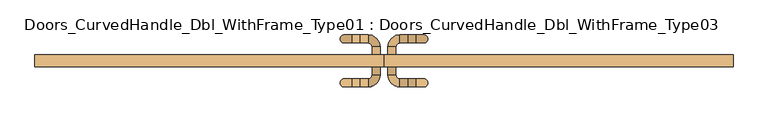
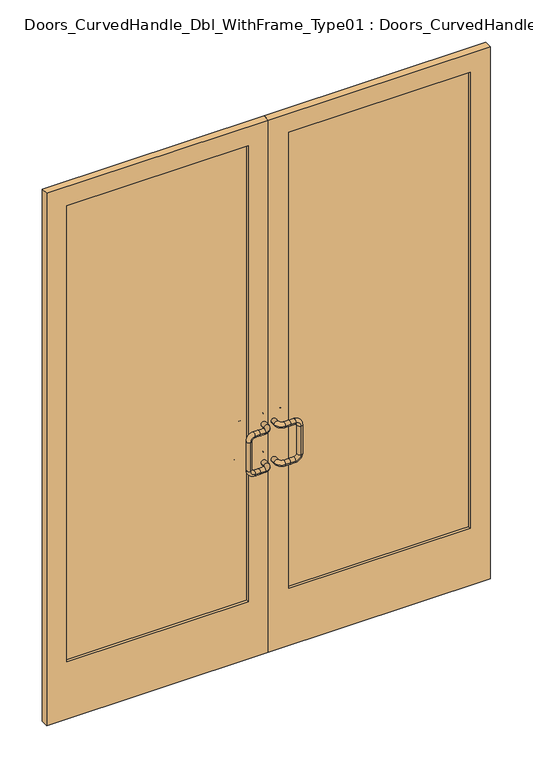
"""IFC4 building model written with IfcOpenShell, lengths in millimetres: door geometry, Doors_CurvedHandle_Dbl_WithFrame_Type01 : Doors_CurvedHandle_Dbl_WithFrame_Type03."""

import ifcopenshell
import ifcopenshell.guid

model = None  # the IFC model being written
_history = None  # IfcOwnerHistory: only IFC2X3 demands one
_inside = {}  # id of a spatial element -> (the spatial element, [elements in it])
_under = {}  # id of a project, library or spatial element -> (it, [spatial elements below it])
_declared = {}  # id of a project -> (the project, [libraries it declares])
_typed = {}  # id of a type object -> (the type object, [elements of that type])
_made_of = {}  # id of a material, layer set ... -> (it, [elements and type objects made of it])


def new_model(schema):
    """Start an empty IFC model of exactly this schema.

    Asked for "IFC4X3", IfcOpenShell would pick the latest addendum, in which some entities
    have other attributes; the version numbers below select the first issue.
    IFC2X3 requires an IfcOwnerHistory on every rooted entity: one is made here for all.
    """
    global model, _history
    if schema == "IFC4X3":
        model = ifcopenshell.file(schema_version=(4, 3, 0, 0))
    else:
        model = ifcopenshell.file(schema=schema)
    _inside.clear()
    _under.clear()
    _declared.clear()
    _typed.clear()
    _made_of.clear()
    _history = None
    if model.schema == "IFC2X3":
        org = make("IfcOrganization", Name="unknown")
        user = make(
            "IfcPersonAndOrganization",
            ThePerson=make("IfcPerson", FamilyName="unknown"),
            TheOrganization=org,
        )
        app = make(
            "IfcApplication",
            ApplicationDeveloper=org,
            Version="unknown",
            ApplicationFullName="unknown",
            ApplicationIdentifier="unknown",
        )
        _history = make(
            "IfcOwnerHistory",
            OwningUser=user,
            OwningApplication=app,
            ChangeAction="ADDED",
            CreationDate=0,
        )
    return model


def make(cls, **values):
    """One entity of the class cls with the attributes given. An attribute that is None is left unset."""
    return model.create_entity(
        cls, **{name: value for name, value in values.items() if value is not None}
    )


def rooted(cls, **values):
    """An entity with a GlobalId (a new one), such as an element, a storey or a relation."""
    return make(cls, GlobalId=ifcopenshell.guid.new(), OwnerHistory=_history, **values)


def si_unit(unit_type, name, prefix=None):
    """IfcSIUnit, for example si_unit("LENGTHUNIT", "METRE", prefix="MILLI")."""
    return make("IfcSIUnit", UnitType=unit_type, Prefix=prefix, Name=name)


def assignment(units):
    """IfcUnitAssignment: the units of a project."""
    return None if units is None else make("IfcUnitAssignment", Units=units)


def point(xyz):
    """IfcCartesianPoint."""
    return None if xyz is None else make("IfcCartesianPoint", Coordinates=xyz)


def direction(xyz):
    """IfcDirection."""
    return None if xyz is None else make("IfcDirection", DirectionRatios=xyz)


def frame(location, z_axis=None, x_axis=None):
    """IfcAxis2Placement3D, a coordinate frame: its origin and axes. An axis left out is left unset."""
    return make(
        "IfcAxis2Placement3D",
        Location=point(location),
        Axis=direction(z_axis),
        RefDirection=direction(x_axis),
    )


def origin():
    """The frame at (0, 0, 0) with its axes left unset."""
    return frame((0.0, 0.0, 0.0))


def place(relative_to, where):
    """IfcLocalPlacement: puts the frame where relative to a parent placement (None: the world)."""
    return make(
        "IfcLocalPlacement", PlacementRelTo=relative_to, RelativePlacement=where
    )


def context(
    kind, dimensions, precision=None, world=None, true_north=None, identifier=None
):
    """IfcGeometricRepresentationContext, for example the 3D "Model" context."""
    return make(
        "IfcGeometricRepresentationContext",
        ContextIdentifier=identifier,
        ContextType=kind,
        CoordinateSpaceDimension=dimensions,
        Precision=precision,
        WorldCoordinateSystem=world,
        TrueNorth=true_north,
    )


def project(units=None, contexts=None):
    """IfcProject with its units and contexts."""
    return rooted(
        "IfcProject",
        Name="project",
        RepresentationContexts=contexts,
        UnitsInContext=assignment(units),
    )


def spatial(cls, under=None, at=None, **own):
    """A site, building, storey or space (cls), placed at a placement, below another one or the project."""
    s = rooted(cls, ObjectPlacement=at, **own)
    if under is not None:
        _under.setdefault(under.id(), (under, []))[1].append(s)
    return s


def polyline(points):
    """IfcPolyline through the points."""
    return make("IfcPolyline", Points=[point(p) for p in points])


def circle_curve(where, radius):
    """IfcCircle in the frame where."""
    return make("IfcCircle", Position=where, Radius=radius)


def ellipse_curve(where, semi_axis1, semi_axis2):
    """IfcEllipse in the frame where."""
    return make(
        "IfcEllipse", Position=where, SemiAxis1=semi_axis1, SemiAxis2=semi_axis2
    )


def trimmed(basis, trim1, trim2, sense, master):
    """IfcTrimmedCurve: the piece of a basis curve between two trims."""
    return make(
        "IfcTrimmedCurve",
        BasisCurve=basis,
        Trim1=trim1,
        Trim2=trim2,
        SenseAgreement=sense,
        MasterRepresentation=master,
    )


def outline(outer, holes=None, kind="AREA"):
    """IfcArbitraryClosedProfileDef: a profile drawn as a closed curve; with holes, ...WithVoids."""
    if holes is None:
        return make("IfcArbitraryClosedProfileDef", ProfileType=kind, OuterCurve=outer)
    return make(
        "IfcArbitraryProfileDefWithVoids",
        ProfileType=kind,
        OuterCurve=outer,
        InnerCurves=holes,
    )


def extrude(swept, where, along, depth):
    """IfcExtrudedAreaSolid: the profile swept, set in the frame where, extruded along a direction by depth."""
    return make(
        "IfcExtrudedAreaSolid",
        SweptArea=swept,
        Position=where,
        ExtrudedDirection=direction(along),
        Depth=depth,
    )


def shape(context_of_items, identifier, shape_type, items):
    """IfcShapeRepresentation: the items that make up one representation, for example the "Body"."""
    return make(
        "IfcShapeRepresentation",
        ContextOfItems=context_of_items,
        RepresentationIdentifier=identifier,
        RepresentationType=shape_type,
        Items=items,
    )


def source(mapping_origin, context_of_items, identifier, shape_type, items):
    """IfcRepresentationMap: a shape defined once, which mapped items show again and again."""
    return make(
        "IfcRepresentationMap",
        MappingOrigin=mapping_origin,
        MappedRepresentation=shape(context_of_items, identifier, shape_type, items),
    )


def transform(
    local_origin,
    x_axis=None,
    y_axis=None,
    z_axis=None,
    scale=None,
    scale2=None,
    scale3=None,
    uniform=True,
):
    """IfcCartesianTransformationOperator3D, or its non-uniform kind. x_axis, y_axis, z_axis: its Axis1, 2, 3."""
    if uniform:
        return make(
            "IfcCartesianTransformationOperator3D",
            Axis1=direction(x_axis),
            Axis2=direction(y_axis),
            LocalOrigin=point(local_origin),
            Scale=scale,
            Axis3=direction(z_axis),
        )
    return make(
        "IfcCartesianTransformationOperator3DnonUniform",
        Axis1=direction(x_axis),
        Axis2=direction(y_axis),
        LocalOrigin=point(local_origin),
        Scale=scale,
        Axis3=direction(z_axis),
        Scale2=scale2,
        Scale3=scale3,
    )


def mapped(mapping_source, mapping_target):
    """IfcMappedItem: shows the shape of a source again, moved by a transform."""
    return make(
        "IfcMappedItem", MappingSource=mapping_source, MappingTarget=mapping_target
    )


def made_of(thing, what):
    """Note that an element or type object is made of a material, layer set ...; save() writes the relation."""
    if what is not None:
        _made_of.setdefault(what.id(), (what, []))[1].append(thing)
    return thing


def element(
    cls,
    number,
    at=None,
    inside=None,
    cuts=None,
    type_object=None,
    material=None,
    context=None,
    identifier="Body",
    shape_type=None,
    held_by="IfcProductDefinitionShape",
    body=None,
    shapes=None,
    **own,
):
    """One element of the class cls, such as IfcWall. Its Tag is "e" and its number.

    at: its placement. inside: the storey or other place that contains it. cuts: it is an
    opening in that element (IfcRelVoidsElement). A single representation is given by context,
    identifier, shape_type and body (its items); several are given by shapes. held_by: the class
    of the entity that holds the representations. save() writes the other relations.
    """
    e = rooted(cls, Tag="e%d" % number, ObjectPlacement=at, **own)
    if body is not None:
        shapes = [shape(context, identifier, shape_type, body)]
    if shapes is not None:
        e.Representation = make(held_by, Representations=shapes)
    if inside is not None:
        _inside.setdefault(inside.id(), (inside, []))[1].append(e)
    if cuts is not None:
        rooted(
            "IfcRelVoidsElement", RelatingBuildingElement=cuts, RelatedOpeningElement=e
        )
    if type_object is not None:
        _typed.setdefault(type_object.id(), (type_object, []))[1].append(e)
    return made_of(e, material)


def aggregate(whole, parts):
    """IfcRelAggregates: a whole, such as a stair, and the parts it consists of."""
    return rooted("IfcRelAggregates", RelatingObject=whole, RelatedObjects=parts)


def save(model, path):
    """Write the relations noted so far, then the file.

    IfcRelAggregates (storeys below a building ...), IfcRelContainedInSpatialStructure (elements
    in a storey), IfcRelDefinesByType, IfcRelAssociatesMaterial and IfcRelDeclares: one each for
    every whole, place, type object, material and project.
    """
    for whole, parts in _under.values():
        aggregate(whole, parts)
    for where, things in _inside.values():
        rooted(
            "IfcRelContainedInSpatialStructure",
            RelatedElements=things,
            RelatingStructure=where,
        )
    for kind, things in _typed.values():
        rooted("IfcRelDefinesByType", RelatedObjects=things, RelatingType=kind)
    for what, things in _made_of.values():
        rooted("IfcRelAssociatesMaterial", RelatedObjects=things, RelatingMaterial=what)
    for by, libraries in _declared.values():
        rooted("IfcRelDeclares", RelatingContext=by, RelatedDefinitions=libraries)
    model.write(path)


def plane_surface(at):
    """IfcPlane: the flat surface through the origin of the frame at, square to its z axis."""
    return make("IfcPlane", Position=at)


def cylinder_surface(at, radius):
    """IfcCylindricalSurface: all points at the distance radius from the z axis of the frame at."""
    return make("IfcCylindricalSurface", Position=at, Radius=radius)


def revolved_surface(curve, axis_point, axis_direction):
    """IfcSurfaceOfRevolution: the curve turned about the line through axis_point along axis_direction."""
    return make(
        "IfcSurfaceOfRevolution",
        SweptCurve=make("IfcArbitraryOpenProfileDef", ProfileType="CURVE", Curve=curve),
        AxisPosition=make("IfcAxis1Placement", Location=point(axis_point), Axis=direction(axis_direction)),
    )


def advanced_brep(points, edges, surfaces, faces):
    """IfcAdvancedBrep: a solid bounded by faces that lie on surfaces and meet in shared edges.

    An edge is (start, end): straight between two places in points (the first is 0);
    or (start, end, curve); or (start, end, curve, False) where it runs against its curve.
    A face is (place in surfaces, loops), or (place, loops, False) where it looks against
    its surface's normal. A loop lists edges by number (the first is 1), with a minus sign
    where the edge is run from its end to its start. The first loop is the outer one.
    """
    corners = [point(p) for p in points]
    vertices = [make("IfcVertexPoint", VertexGeometry=c) for c in corners]
    made = []
    for start, end, *more in edges:
        made.append(
            make(
                "IfcEdgeCurve",
                EdgeStart=vertices[start],
                EdgeEnd=vertices[end],
                EdgeGeometry=more[0] if more else make("IfcPolyline", Points=[corners[start], corners[end]]),
                SameSense=more[1] if len(more) > 1 else True,
            )
        )
    hull = []
    for where, loops, *sense in faces:
        bounds = []
        for j, loop in enumerate(loops):
            ring = [make("IfcOrientedEdge", EdgeElement=made[abs(k) - 1], Orientation=k > 0) for k in loop]
            bounds.append(
                make(
                    "IfcFaceOuterBound" if j == 0 else "IfcFaceBound",
                    Bound=make("IfcEdgeLoop", EdgeList=ring),
                    Orientation=True,
                )
            )
        hull.append(make("IfcAdvancedFace", Bounds=bounds, FaceSurface=surfaces[where], SameSense=sense[0] if sense else True))
    return make("IfcAdvancedBrep", Outer=make("IfcClosedShell", CfsFaces=hull))


def doors_curvedhandle_dbl_withframe_type01_doors_curvedhandle_f692b1b2(model_context):
    return source(origin(), model_context, "Body", "SolidModel", [
        advanced_brep(
        [(-38.1, -19.05, 1219.2), (-12.7, -19.05, 1219.2), (-38.1, -44.45, 1219.2), (-12.7, -44.45, 1219.2), (-50.8, -82.55, 1219.2), (-50.8, -57.15, 1219.2), (-76.2, -57.15, 1219.2), (-76.2, -82.55, 1219.2), (-101.6, -57.15, 1219.2), (-101.6, -82.55, 1219.2), (-127.0, -57.15, 1193.8), (-127.0, -82.55, 1193.8), (-127.0, -57.15, 1041.4), (-127.0, -82.55, 1041.4), (-101.6, -57.15, 1016.0), (-101.6, -82.55, 1016.0), (-76.2, -57.15, 1016.0), (-76.2, -82.55, 1016.0), (-38.1, -19.05, 1016.0), (-12.7, -19.05, 1016.0), (-38.1, -44.45, 1016.0), (-12.7, -44.45, 1016.0), (-50.8, -82.55, 1016.0), (-50.8, -57.15, 1016.0)],
        [
            (0, 1, circle_curve(frame((-25.4, -19.05, 1219.2), z_axis=(0.0, 1.0, 0.0), x_axis=(1.0, 0.0, 0.0)), 12.7)),
            (1, 0, circle_curve(frame((-25.4, -19.05, 1219.2), z_axis=(0.0, 1.0, 0.0), x_axis=(1.0, 0.0, 0.0)), 12.7)),
            (0, 2),
            (2, 3, circle_curve(frame((-25.4, -44.45, 1219.2), z_axis=(0.0, 1.0, 0.0), x_axis=(1.0, 0.0, 0.0)), 12.7)),
            (3, 1),
            (3, 2, circle_curve(frame((-25.4, -44.45, 1219.2), z_axis=(0.0, 1.0, 0.0), x_axis=(1.0, 0.0, 0.0)), 12.7)),
            (4, 5, circle_curve(frame((-50.8, -69.85, 1219.2), z_axis=(-1.0, 0.0, 0.0), x_axis=(0.0, -1.0, 0.0)), 12.7)),
            (5, 6),
            (6, 7, circle_curve(frame((-76.2, -69.85, 1219.2), z_axis=(1.0, 0.0, 0.0), x_axis=(0.0, -1.0, 0.0)), 12.7)),
            (7, 4),
            (5, 4, circle_curve(frame((-50.8, -69.85, 1219.2), z_axis=(-1.0, 0.0, 0.0), x_axis=(0.0, -1.0, 0.0)), 12.7)),
            (7, 6, circle_curve(frame((-76.2, -69.85, 1219.2), z_axis=(1.0, 0.0, 0.0), x_axis=(0.0, -1.0, 0.0)), 12.7)),
            (2, 5, circle_curve(frame((-50.8, -44.45, 1219.2), z_axis=(0.0, 0.0, -1.0), x_axis=(1.0, 0.0, 0.0)), 12.7)),
            (4, 3, circle_curve(frame((-50.8, -44.45, 1219.2), z_axis=(0.0, 0.0, 1.0), x_axis=(1.0, 0.0, 0.0)), 38.1)),
            (6, 8),
            (8, 9, circle_curve(frame((-101.6, -69.85, 1219.2), z_axis=(1.0, 0.0, 0.0), x_axis=(0.0, -1.0, 0.0)), 12.7)),
            (9, 7),
            (9, 8, circle_curve(frame((-101.6, -69.85, 1219.2), z_axis=(1.0, 0.0, 0.0), x_axis=(0.0, -1.0, 0.0)), 12.7)),
            (8, 10, circle_curve(frame((-101.6, -57.15, 1193.8), z_axis=(0.0, -1.0, 0.0), x_axis=(0.0, 0.0, 1.0)), 25.4)),
            (10, 11, circle_curve(frame((-127.0, -69.85, 1193.8), z_axis=(0.0, 0.0, 1.0), x_axis=(0.0, -1.0, 0.0)), 12.7)),
            (11, 9, circle_curve(frame((-101.6, -82.55, 1193.8), z_axis=(0.0, 1.0, 0.0), x_axis=(0.0, 0.0, 1.0)), 25.4)),
            (11, 10, circle_curve(frame((-127.0, -69.85, 1193.8), z_axis=(0.0, 0.0, 1.0), x_axis=(0.0, -1.0, 0.0)), 12.7)),
            (10, 12),
            (12, 13, circle_curve(frame((-127.0, -69.85, 1041.4), z_axis=(0.0, 0.0, 1.0), x_axis=(0.0, -1.0, 0.0)), 12.7)),
            (13, 11),
            (13, 12, circle_curve(frame((-127.0, -69.85, 1041.4), z_axis=(0.0, 0.0, 1.0), x_axis=(0.0, -1.0, 0.0)), 12.7)),
            (12, 14, circle_curve(frame((-101.6, -57.15, 1041.4), z_axis=(0.0, -1.0, 0.0), x_axis=(-1.0, 0.0, 0.0)), 25.4)),
            (14, 15, circle_curve(frame((-101.6, -69.85, 1016.0), z_axis=(-1.0, 0.0, 0.0), x_axis=(0.0, -1.0, 0.0)), 12.7)),
            (15, 13, circle_curve(frame((-101.6, -82.55, 1041.4), z_axis=(0.0, 1.0, 0.0), x_axis=(-1.0, 0.0, 0.0)), 25.4)),
            (15, 14, circle_curve(frame((-101.6, -69.85, 1016.0), z_axis=(-1.0, 0.0, 0.0), x_axis=(0.0, -1.0, 0.0)), 12.7)),
            (14, 16),
            (16, 17, circle_curve(frame((-76.2, -69.85, 1016.0), z_axis=(-1.0, 0.0, 0.0), x_axis=(0.0, -1.0, 0.0)), 12.7)),
            (17, 15),
            (17, 16, circle_curve(frame((-76.2, -69.85, 1016.0), z_axis=(-1.0, 0.0, 0.0), x_axis=(0.0, -1.0, 0.0)), 12.7)),
            (18, 19, circle_curve(frame((-25.4, -19.05, 1016.0), z_axis=(0.0, 1.0, 0.0), x_axis=(1.0, 0.0, 0.0)), 12.7)),
            (19, 18, circle_curve(frame((-25.4, -19.05, 1016.0), z_axis=(0.0, 1.0, 0.0), x_axis=(1.0, 0.0, 0.0)), 12.7)),
            (18, 20),
            (20, 21, circle_curve(frame((-25.4, -44.45, 1016.0), z_axis=(0.0, 1.0, 0.0), x_axis=(1.0, 0.0, 0.0)), 12.7)),
            (21, 19),
            (21, 20, circle_curve(frame((-25.4, -44.45, 1016.0), z_axis=(0.0, 1.0, 0.0), x_axis=(1.0, 0.0, 0.0)), 12.7)),
            (22, 23, circle_curve(frame((-50.8, -69.85, 1016.0), z_axis=(-1.0, 0.0, 0.0), x_axis=(0.0, -1.0, 0.0)), 12.7)),
            (23, 16),
            (17, 22),
            (23, 22, circle_curve(frame((-50.8, -69.85, 1016.0), z_axis=(-1.0, 0.0, 0.0), x_axis=(0.0, -1.0, 0.0)), 12.7)),
            (20, 23, circle_curve(frame((-50.8, -44.45, 1016.0), z_axis=(0.0, 0.0, -1.0), x_axis=(1.0, 0.0, 0.0)), 12.7)),
            (22, 21, circle_curve(frame((-50.8, -44.45, 1016.0), z_axis=(0.0, 0.0, 1.0), x_axis=(1.0, 0.0, 0.0)), 38.1)),
        ],
        [
            plane_surface(frame((-25.4, -19.05, 1276.2853236), z_axis=(0.0, 1.0, 0.0), x_axis=(0.0, 0.0, 1.0))),
            cylinder_surface(frame((-25.4, -19.05, 1219.2), z_axis=(0.0, 1.0, 0.0), x_axis=(1.0, 0.0, 0.0)), 12.7),
            cylinder_surface(frame((-50.8, -69.85, 1219.2), z_axis=(1.0, 0.0, 0.0), x_axis=(0.0, -1.0, 0.0)), 12.7),
            revolved_surface(trimmed(ellipse_curve(frame((-25.4, -44.45, 1219.2), z_axis=(0.0, 1.0, 0.0), x_axis=(1.0, 0.0, 0.0)), 12.7, 12.7), [point((-38.1, -44.45, 1219.2))], [point((-12.7, -44.45, 1219.2))], True, "CARTESIAN"), (-50.8, -44.45, 1276.2853236), (0.0, 0.0, -1.0)),
            revolved_surface(trimmed(ellipse_curve(frame((-25.4, -44.45, 1219.2), z_axis=(0.0, 1.0, 0.0), x_axis=(1.0, 0.0, 0.0)), 12.7, 12.7), [point((-12.7, -44.45, 1219.2))], [point((-38.1, -44.45, 1219.2))], True, "CARTESIAN"), (-50.8, -44.45, 1276.2853236), (0.0, 0.0, -1.0)),
            cylinder_surface(frame((-76.2, -69.85, 1219.2), z_axis=(1.0, 0.0, 0.0), x_axis=(0.0, -1.0, 0.0)), 12.7),
            revolved_surface(trimmed(ellipse_curve(frame((-101.6, -69.85, 1219.2), z_axis=(1.0, 0.0, 0.0), x_axis=(0.0, -1.0, 0.0)), 12.7, 12.7), [point((-101.6, -57.15, 1219.2))], [point((-101.6, -82.55, 1219.2))], True, "CARTESIAN"), (-101.6, -69.85, 1193.8), (0.0, -1.0, 0.0)),
            revolved_surface(trimmed(ellipse_curve(frame((-101.6, -69.85, 1219.2), z_axis=(1.0, 0.0, 0.0), x_axis=(0.0, -1.0, 0.0)), 12.7, 12.7), [point((-101.6, -82.55, 1219.2))], [point((-101.6, -57.15, 1219.2))], True, "CARTESIAN"), (-101.6, -69.85, 1193.8), (0.0, -1.0, 0.0)),
            cylinder_surface(frame((-127.0, -69.85, 1193.8), z_axis=(0.0, 0.0, 1.0), x_axis=(0.0, -1.0, 0.0)), 12.7),
            revolved_surface(trimmed(ellipse_curve(frame((-127.0, -69.85, 1041.4), z_axis=(0.0, 0.0, 1.0), x_axis=(0.0, -1.0, 0.0)), 12.7, 12.7), [point((-127.0, -57.15, 1041.4))], [point((-127.0, -82.55, 1041.4))], True, "CARTESIAN"), (-101.6, -69.85, 1041.4), (0.0, -1.0, 0.0)),
            revolved_surface(trimmed(ellipse_curve(frame((-127.0, -69.85, 1041.4), z_axis=(0.0, 0.0, 1.0), x_axis=(0.0, -1.0, 0.0)), 12.7, 12.7), [point((-127.0, -82.55, 1041.4))], [point((-127.0, -57.15, 1041.4))], True, "CARTESIAN"), (-101.6, -69.85, 1041.4), (0.0, -1.0, 0.0)),
            cylinder_surface(frame((-101.6, -69.85, 1016.0), z_axis=(-1.0, 0.0, 0.0), x_axis=(0.0, -1.0, 0.0)), 12.7),
            plane_surface(frame((-25.4, -19.05, 1016.0), z_axis=(0.0, 1.0, 0.0), x_axis=(0.0, 0.0, 1.0))),
            cylinder_surface(frame((-25.4, -19.05, 1016.0), z_axis=(0.0, 1.0, 0.0), x_axis=(1.0, 0.0, 0.0)), 12.7),
            cylinder_surface(frame((-50.8, -69.85, 1016.0), z_axis=(1.0, 0.0, 0.0), x_axis=(0.0, -1.0, 0.0)), 12.7),
            revolved_surface(trimmed(ellipse_curve(frame((-25.4, -44.45, 1016.0), z_axis=(0.0, 1.0, 0.0), x_axis=(1.0, 0.0, 0.0)), 12.7, 12.7), [point((-38.1, -44.45, 1016.0))], [point((-12.7, -44.45, 1016.0))], True, "CARTESIAN"), (-50.8, -44.45, 1016.0), (0.0, 0.0, -1.0)),
            revolved_surface(trimmed(ellipse_curve(frame((-25.4, -44.45, 1016.0), z_axis=(0.0, 1.0, 0.0), x_axis=(1.0, 0.0, 0.0)), 12.7, 12.7), [point((-12.7, -44.45, 1016.0))], [point((-38.1, -44.45, 1016.0))], True, "CARTESIAN"), (-50.8, -44.45, 1016.0), (0.0, 0.0, -1.0)),
        ],
        [
            (0, [[1, 2]]),
            (1, [[-1, 3, 4, 5]]),
            (1, [[-2, -5, 6, -3]]),
            (2, [[7, 8, 9, 10]]),
            (2, [[-8, 11, -10, 12]]),
            (3, [[-4, 13, -7, 14]]),
            (4, [[-6, -14, -11, -13]]),
            (5, [[15, 16, 17, -9]]),
            (5, [[-15, -12, -17, 18]]),
            (6, [[-16, 19, 20, 21]]),
            (7, [[-18, -21, 22, -19]]),
            (8, [[-20, 23, 24, 25]]),
            (8, [[-22, -25, 26, -23]]),
            (9, [[-24, 27, 28, 29]]),
            (10, [[-26, -29, 30, -27]]),
            (11, [[-28, 31, 32, 33]]),
            (11, [[-30, -33, 34, -31]]),
            (12, [[35, 36]]),
            (13, [[-35, 37, 38, 39]]),
            (13, [[-36, -39, 40, -37]]),
            (14, [[41, 42, -34, 43]]),
            (14, [[-42, 44, -43, -32]]),
            (15, [[-38, 45, -41, 46]]),
            (16, [[-40, -46, -44, -45]]),
        ],
    ),
        advanced_brep(
        [(38.1, -19.05, 1219.2), (12.7, -19.05, 1219.2), (12.7, -44.45, 1219.2), (38.1, -44.45, 1219.2), (50.8, -82.55, 1219.2), (76.2, -82.55, 1219.2), (76.2, -57.15, 1219.2), (50.8, -57.15, 1219.2), (101.6, -82.55, 1219.2), (101.6, -57.15, 1219.2), (127.0, -82.55, 1193.8), (127.0, -57.15, 1193.8), (127.0, -82.55, 1041.4), (127.0, -57.15, 1041.4), (101.6, -82.55, 1016.0), (101.6, -57.15, 1016.0), (76.2, -82.55, 1016.0), (76.2, -57.15, 1016.0), (38.1, -19.05, 1016.0), (12.7, -19.05, 1016.0), (12.7, -44.45, 1016.0), (38.1, -44.45, 1016.0), (50.8, -82.55, 1016.0), (50.8, -57.15, 1016.0)],
        [
            (0, 1, circle_curve(frame((25.4, -19.05, 1219.2), z_axis=(0.0, 1.0, 0.0), x_axis=(-1.0, 0.0, 0.0)), 12.7)),
            (1, 0, circle_curve(frame((25.4, -19.05, 1219.2), z_axis=(0.0, 1.0, 0.0), x_axis=(-1.0, 0.0, 0.0)), 12.7)),
            (1, 2),
            (2, 3, circle_curve(frame((25.4, -44.45, 1219.2), z_axis=(0.0, 1.0, 0.0), x_axis=(-1.0, 0.0, 0.0)), 12.7)),
            (3, 0),
            (3, 2, circle_curve(frame((25.4, -44.45, 1219.2), z_axis=(0.0, 1.0, 0.0), x_axis=(-1.0, 0.0, 0.0)), 12.7)),
            (4, 5),
            (5, 6, circle_curve(frame((76.2, -69.85, 1219.2), z_axis=(-1.0, 0.0, 0.0), x_axis=(0.0, -1.0, 0.0)), 12.7)),
            (6, 7),
            (7, 4, circle_curve(frame((50.8, -69.85, 1219.2), z_axis=(1.0, 0.0, 0.0), x_axis=(0.0, -1.0, 0.0)), 12.7)),
            (6, 5, circle_curve(frame((76.2, -69.85, 1219.2), z_axis=(-1.0, 0.0, 0.0), x_axis=(0.0, -1.0, 0.0)), 12.7)),
            (4, 7, circle_curve(frame((50.8, -69.85, 1219.2), z_axis=(1.0, 0.0, 0.0), x_axis=(0.0, -1.0, 0.0)), 12.7)),
            (2, 4, circle_curve(frame((50.8, -44.45, 1219.2), z_axis=(0.0, 0.0, 1.0), x_axis=(-1.0, 0.0, 0.0)), 38.1)),
            (7, 3, circle_curve(frame((50.8, -44.45, 1219.2), z_axis=(0.0, 0.0, -1.0), x_axis=(-1.0, 0.0, 0.0)), 12.7)),
            (5, 8),
            (8, 9, circle_curve(frame((101.6, -69.85, 1219.2), z_axis=(-1.0, 0.0, 0.0), x_axis=(0.0, -1.0, 0.0)), 12.7)),
            (9, 6),
            (9, 8, circle_curve(frame((101.6, -69.85, 1219.2), z_axis=(-1.0, 0.0, 0.0), x_axis=(0.0, -1.0, 0.0)), 12.7)),
            (8, 10, circle_curve(frame((101.6, -82.55, 1193.8), z_axis=(0.0, 1.0, 0.0), x_axis=(0.0, 0.0, 1.0)), 25.4)),
            (10, 11, circle_curve(frame((127.0, -69.85, 1193.8), z_axis=(0.0, 0.0, 1.0), x_axis=(0.0, -1.0, 0.0)), 12.7)),
            (11, 9, circle_curve(frame((101.6, -57.15, 1193.8), z_axis=(0.0, -1.0, 0.0), x_axis=(0.0, 0.0, 1.0)), 25.4)),
            (11, 10, circle_curve(frame((127.0, -69.85, 1193.8), z_axis=(0.0, 0.0, 1.0), x_axis=(0.0, -1.0, 0.0)), 12.7)),
            (10, 12),
            (12, 13, circle_curve(frame((127.0, -69.85, 1041.4), z_axis=(0.0, 0.0, 1.0), x_axis=(0.0, -1.0, 0.0)), 12.7)),
            (13, 11),
            (13, 12, circle_curve(frame((127.0, -69.85, 1041.4), z_axis=(0.0, 0.0, 1.0), x_axis=(0.0, -1.0, 0.0)), 12.7)),
            (12, 14, circle_curve(frame((101.6, -82.55, 1041.4), z_axis=(0.0, 1.0, 0.0), x_axis=(1.0, 0.0, 0.0)), 25.4)),
            (14, 15, circle_curve(frame((101.6, -69.85, 1016.0), z_axis=(1.0, 0.0, 0.0), x_axis=(0.0, -1.0, 0.0)), 12.7)),
            (15, 13, circle_curve(frame((101.6, -57.15, 1041.4), z_axis=(0.0, -1.0, 0.0), x_axis=(1.0, 0.0, 0.0)), 25.4)),
            (15, 14, circle_curve(frame((101.6, -69.85, 1016.0), z_axis=(1.0, 0.0, 0.0), x_axis=(0.0, -1.0, 0.0)), 12.7)),
            (14, 16),
            (16, 17, circle_curve(frame((76.2, -69.85, 1016.0), z_axis=(1.0, 0.0, 0.0), x_axis=(0.0, -1.0, 0.0)), 12.7)),
            (17, 15),
            (17, 16, circle_curve(frame((76.2, -69.85, 1016.0), z_axis=(1.0, 0.0, 0.0), x_axis=(0.0, -1.0, 0.0)), 12.7)),
            (18, 19, circle_curve(frame((25.4, -19.05, 1016.0), z_axis=(0.0, 1.0, 0.0), x_axis=(-1.0, 0.0, 0.0)), 12.7)),
            (19, 18, circle_curve(frame((25.4, -19.05, 1016.0), z_axis=(0.0, 1.0, 0.0), x_axis=(-1.0, 0.0, 0.0)), 12.7)),
            (19, 20),
            (20, 21, circle_curve(frame((25.4, -44.45, 1016.0), z_axis=(0.0, 1.0, 0.0), x_axis=(-1.0, 0.0, 0.0)), 12.7)),
            (21, 18),
            (21, 20, circle_curve(frame((25.4, -44.45, 1016.0), z_axis=(0.0, 1.0, 0.0), x_axis=(-1.0, 0.0, 0.0)), 12.7)),
            (22, 16),
            (17, 23),
            (23, 22, circle_curve(frame((50.8, -69.85, 1016.0), z_axis=(1.0, 0.0, 0.0), x_axis=(0.0, -1.0, 0.0)), 12.7)),
            (22, 23, circle_curve(frame((50.8, -69.85, 1016.0), z_axis=(1.0, 0.0, 0.0), x_axis=(0.0, -1.0, 0.0)), 12.7)),
            (20, 22, circle_curve(frame((50.8, -44.45, 1016.0), z_axis=(0.0, 0.0, 1.0), x_axis=(-1.0, 0.0, 0.0)), 38.1)),
            (23, 21, circle_curve(frame((50.8, -44.45, 1016.0), z_axis=(0.0, 0.0, -1.0), x_axis=(-1.0, 0.0, 0.0)), 12.7)),
        ],
        [
            plane_surface(frame((25.4, -19.05, 1276.2853236), z_axis=(0.0, 1.0, 0.0), x_axis=(0.0, 0.0, 1.0))),
            cylinder_surface(frame((25.4, -19.05, 1219.2), z_axis=(0.0, 1.0, 0.0), x_axis=(-1.0, 0.0, 0.0)), 12.7),
            cylinder_surface(frame((50.8, -69.85, 1219.2), z_axis=(-1.0, 0.0, 0.0), x_axis=(0.0, -1.0, 0.0)), 12.7),
            revolved_surface(trimmed(ellipse_curve(frame((25.4, -44.45, 1219.2), z_axis=(0.0, -1.0, 0.0), x_axis=(-1.0, 0.0, 0.0)), 12.7, 12.7), [point((38.1, -44.45, 1219.2))], [point((12.7, -44.45, 1219.2))], True, "CARTESIAN"), (50.8, -44.45, 1276.2853236), (0.0, 0.0, -1.0)),
            revolved_surface(trimmed(ellipse_curve(frame((25.4, -44.45, 1219.2), z_axis=(0.0, -1.0, 0.0), x_axis=(-1.0, 0.0, 0.0)), 12.7, 12.7), [point((12.7, -44.45, 1219.2))], [point((38.1, -44.45, 1219.2))], True, "CARTESIAN"), (50.8, -44.45, 1276.2853236), (0.0, 0.0, -1.0)),
            cylinder_surface(frame((76.2, -69.85, 1219.2), z_axis=(-1.0, 0.0, 0.0), x_axis=(0.0, -1.0, 0.0)), 12.7),
            revolved_surface(trimmed(ellipse_curve(frame((101.6, -69.85, 1219.2), z_axis=(1.0, 0.0, 0.0), x_axis=(0.0, -1.0, 0.0)), 12.7, 12.7), [point((101.6, -57.15, 1219.2))], [point((101.6, -82.55, 1219.2))], True, "CARTESIAN"), (101.6, -69.85, 1193.8), (0.0, -1.0, 0.0)),
            revolved_surface(trimmed(ellipse_curve(frame((101.6, -69.85, 1219.2), z_axis=(1.0, 0.0, 0.0), x_axis=(0.0, -1.0, 0.0)), 12.7, 12.7), [point((101.6, -82.55, 1219.2))], [point((101.6, -57.15, 1219.2))], True, "CARTESIAN"), (101.6, -69.85, 1193.8), (0.0, -1.0, 0.0)),
            cylinder_surface(frame((127.0, -69.85, 1193.8), z_axis=(0.0, 0.0, 1.0), x_axis=(0.0, -1.0, 0.0)), 12.7),
            revolved_surface(trimmed(ellipse_curve(frame((127.0, -69.85, 1041.4), z_axis=(0.0, 0.0, -1.0), x_axis=(0.0, -1.0, 0.0)), 12.7, 12.7), [point((127.0, -57.15, 1041.4))], [point((127.0, -82.55, 1041.4))], True, "CARTESIAN"), (101.6, -69.85, 1041.4), (0.0, -1.0, 0.0)),
            revolved_surface(trimmed(ellipse_curve(frame((127.0, -69.85, 1041.4), z_axis=(0.0, 0.0, -1.0), x_axis=(0.0, -1.0, 0.0)), 12.7, 12.7), [point((127.0, -82.55, 1041.4))], [point((127.0, -57.15, 1041.4))], True, "CARTESIAN"), (101.6, -69.85, 1041.4), (0.0, -1.0, 0.0)),
            cylinder_surface(frame((101.6, -69.85, 1016.0), z_axis=(1.0, 0.0, 0.0), x_axis=(0.0, -1.0, 0.0)), 12.7),
            plane_surface(frame((25.4, -19.05, 1016.0), z_axis=(0.0, 1.0, 0.0), x_axis=(0.0, 0.0, 1.0))),
            cylinder_surface(frame((25.4, -19.05, 1016.0), z_axis=(0.0, 1.0, 0.0), x_axis=(-1.0, 0.0, 0.0)), 12.7),
            cylinder_surface(frame((50.8, -69.85, 1016.0), z_axis=(-1.0, 0.0, 0.0), x_axis=(0.0, -1.0, 0.0)), 12.7),
            revolved_surface(trimmed(ellipse_curve(frame((25.4, -44.45, 1016.0), z_axis=(0.0, -1.0, 0.0), x_axis=(-1.0, 0.0, 0.0)), 12.7, 12.7), [point((38.1, -44.45, 1016.0))], [point((12.7, -44.45, 1016.0))], True, "CARTESIAN"), (50.8, -44.45, 1016.0), (0.0, 0.0, -1.0)),
            revolved_surface(trimmed(ellipse_curve(frame((25.4, -44.45, 1016.0), z_axis=(0.0, -1.0, 0.0), x_axis=(-1.0, 0.0, 0.0)), 12.7, 12.7), [point((12.7, -44.45, 1016.0))], [point((38.1, -44.45, 1016.0))], True, "CARTESIAN"), (50.8, -44.45, 1016.0), (0.0, 0.0, -1.0)),
        ],
        [
            (0, [[1, 2]]),
            (1, [[3, 4, 5, -2]]),
            (1, [[-5, 6, -3, -1]]),
            (2, [[7, 8, 9, 10]]),
            (2, [[11, -7, 12, -9]]),
            (3, [[13, -10, 14, -4]]),
            (4, [[-14, -12, -13, -6]]),
            (5, [[-8, 15, 16, 17]]),
            (5, [[18, -15, -11, -17]]),
            (6, [[19, 20, 21, -16]]),
            (7, [[-21, 22, -19, -18]]),
            (8, [[23, 24, 25, -20]]),
            (8, [[-25, 26, -23, -22]]),
            (9, [[27, 28, 29, -24]]),
            (10, [[-29, 30, -27, -26]]),
            (11, [[31, 32, 33, -28]]),
            (11, [[-33, 34, -31, -30]]),
            (12, [[35, 36]]),
            (13, [[37, 38, 39, -36]]),
            (13, [[-39, 40, -37, -35]]),
            (14, [[41, -34, 42, 43]]),
            (14, [[-32, -41, 44, -42]]),
            (15, [[45, -43, 46, -38]]),
            (16, [[-46, -44, -45, -40]]),
        ],
    ),
        advanced_brep(
        [(-38.1, 19.05, 1219.2), (-12.7, 19.05, 1219.2), (-12.7, 44.45, 1219.2), (-38.1, 44.45, 1219.2), (-50.8, 82.55, 1219.2), (-76.2, 82.55, 1219.2), (-76.2, 57.15, 1219.2), (-50.8, 57.15, 1219.2), (-101.6, 82.55, 1219.2), (-101.6, 57.15, 1219.2), (-127.0, 82.55, 1193.8), (-127.0, 57.15, 1193.8), (-127.0, 82.55, 1041.4), (-127.0, 57.15, 1041.4), (-101.6, 82.55, 1016.0), (-101.6, 57.15, 1016.0), (-76.2, 82.55, 1016.0), (-76.2, 57.15, 1016.0), (-38.1, 19.05, 1016.0), (-12.7, 19.05, 1016.0), (-12.7, 44.45, 1016.0), (-38.1, 44.45, 1016.0), (-50.8, 82.55, 1016.0), (-50.8, 57.15, 1016.0)],
        [
            (0, 1, circle_curve(frame((-25.4, 19.05, 1219.2), z_axis=(0.0, -1.0, 0.0), x_axis=(1.0, 0.0, 0.0)), 12.7)),
            (1, 0, circle_curve(frame((-25.4, 19.05, 1219.2), z_axis=(0.0, -1.0, 0.0), x_axis=(1.0, 0.0, 0.0)), 12.7)),
            (1, 2),
            (2, 3, circle_curve(frame((-25.4, 44.45, 1219.2), z_axis=(0.0, -1.0, 0.0), x_axis=(1.0, 0.0, 0.0)), 12.7)),
            (3, 0),
            (3, 2, circle_curve(frame((-25.4, 44.45, 1219.2), z_axis=(0.0, -1.0, 0.0), x_axis=(1.0, 0.0, 0.0)), 12.7)),
            (4, 5),
            (5, 6, circle_curve(frame((-76.2, 69.85, 1219.2), z_axis=(1.0, 0.0, 0.0), x_axis=(0.0, 1.0, 0.0)), 12.7)),
            (6, 7),
            (7, 4, circle_curve(frame((-50.8, 69.85, 1219.2), z_axis=(-1.0, 0.0, 0.0), x_axis=(0.0, 1.0, 0.0)), 12.7)),
            (6, 5, circle_curve(frame((-76.2, 69.85, 1219.2), z_axis=(1.0, 0.0, 0.0), x_axis=(0.0, 1.0, 0.0)), 12.7)),
            (4, 7, circle_curve(frame((-50.8, 69.85, 1219.2), z_axis=(-1.0, 0.0, 0.0), x_axis=(0.0, 1.0, 0.0)), 12.7)),
            (2, 4, circle_curve(frame((-50.8, 44.45, 1219.2), z_axis=(0.0, 0.0, 1.0), x_axis=(1.0, 0.0, 0.0)), 38.1)),
            (7, 3, circle_curve(frame((-50.8, 44.45, 1219.2), z_axis=(0.0, 0.0, -1.0), x_axis=(1.0, 0.0, 0.0)), 12.7)),
            (5, 8),
            (8, 9, circle_curve(frame((-101.6, 69.85, 1219.2), z_axis=(1.0, 0.0, 0.0), x_axis=(0.0, 1.0, 0.0)), 12.7)),
            (9, 6),
            (9, 8, circle_curve(frame((-101.6, 69.85, 1219.2), z_axis=(1.0, 0.0, 0.0), x_axis=(0.0, 1.0, 0.0)), 12.7)),
            (8, 10, circle_curve(frame((-101.6, 82.55, 1193.8), z_axis=(0.0, -1.0, 0.0), x_axis=(0.0, 0.0, 1.0)), 25.4)),
            (10, 11, circle_curve(frame((-127.0, 69.85, 1193.8), z_axis=(0.0, 0.0, 1.0), x_axis=(0.0, 1.0, 0.0)), 12.7)),
            (11, 9, circle_curve(frame((-101.6, 57.15, 1193.8), z_axis=(0.0, 1.0, 0.0), x_axis=(0.0, 0.0, 1.0)), 25.4)),
            (11, 10, circle_curve(frame((-127.0, 69.85, 1193.8), z_axis=(0.0, 0.0, 1.0), x_axis=(0.0, 1.0, 0.0)), 12.7)),
            (10, 12),
            (12, 13, circle_curve(frame((-127.0, 69.85, 1041.4), z_axis=(0.0, 0.0, 1.0), x_axis=(0.0, 1.0, 0.0)), 12.7)),
            (13, 11),
            (13, 12, circle_curve(frame((-127.0, 69.85, 1041.4), z_axis=(0.0, 0.0, 1.0), x_axis=(0.0, 1.0, 0.0)), 12.7)),
            (12, 14, circle_curve(frame((-101.6, 82.55, 1041.4), z_axis=(0.0, -1.0, 0.0), x_axis=(-1.0, 0.0, 0.0)), 25.4)),
            (14, 15, circle_curve(frame((-101.6, 69.85, 1016.0), z_axis=(-1.0, 0.0, 0.0), x_axis=(0.0, 1.0, 0.0)), 12.7)),
            (15, 13, circle_curve(frame((-101.6, 57.15, 1041.4), z_axis=(0.0, 1.0, 0.0), x_axis=(-1.0, 0.0, 0.0)), 25.4)),
            (15, 14, circle_curve(frame((-101.6, 69.85, 1016.0), z_axis=(-1.0, 0.0, 0.0), x_axis=(0.0, 1.0, 0.0)), 12.7)),
            (14, 16),
            (16, 17, circle_curve(frame((-76.2, 69.85, 1016.0), z_axis=(-1.0, 0.0, 0.0), x_axis=(0.0, 1.0, 0.0)), 12.7)),
            (17, 15),
            (17, 16, circle_curve(frame((-76.2, 69.85, 1016.0), z_axis=(-1.0, 0.0, 0.0), x_axis=(0.0, 1.0, 0.0)), 12.7)),
            (18, 19, circle_curve(frame((-25.4, 19.05, 1016.0), z_axis=(0.0, -1.0, 0.0), x_axis=(1.0, 0.0, 0.0)), 12.7)),
            (19, 18, circle_curve(frame((-25.4, 19.05, 1016.0), z_axis=(0.0, -1.0, 0.0), x_axis=(1.0, 0.0, 0.0)), 12.7)),
            (19, 20),
            (20, 21, circle_curve(frame((-25.4, 44.45, 1016.0), z_axis=(0.0, -1.0, 0.0), x_axis=(1.0, 0.0, 0.0)), 12.7)),
            (21, 18),
            (21, 20, circle_curve(frame((-25.4, 44.45, 1016.0), z_axis=(0.0, -1.0, 0.0), x_axis=(1.0, 0.0, 0.0)), 12.7)),
            (22, 16),
            (17, 23),
            (23, 22, circle_curve(frame((-50.8, 69.85, 1016.0), z_axis=(-1.0, 0.0, 0.0), x_axis=(0.0, 1.0, 0.0)), 12.7)),
            (22, 23, circle_curve(frame((-50.8, 69.85, 1016.0), z_axis=(-1.0, 0.0, 0.0), x_axis=(0.0, 1.0, 0.0)), 12.7)),
            (20, 22, circle_curve(frame((-50.8, 44.45, 1016.0), z_axis=(0.0, 0.0, 1.0), x_axis=(1.0, 0.0, 0.0)), 38.1)),
            (23, 21, circle_curve(frame((-50.8, 44.45, 1016.0), z_axis=(0.0, 0.0, -1.0), x_axis=(1.0, 0.0, 0.0)), 12.7)),
        ],
        [
            plane_surface(frame((-25.4, 19.05, 1276.2853236), z_axis=(0.0, -1.0, 0.0), x_axis=(0.0, 0.0, 1.0))),
            cylinder_surface(frame((-25.4, 19.05, 1219.2), z_axis=(0.0, -1.0, 0.0), x_axis=(1.0, 0.0, 0.0)), 12.7),
            cylinder_surface(frame((-50.8, 69.85, 1219.2), z_axis=(1.0, 0.0, 0.0), x_axis=(0.0, 1.0, 0.0)), 12.7),
            revolved_surface(trimmed(ellipse_curve(frame((-25.4, 44.45, 1219.2), z_axis=(0.0, 1.0, 0.0), x_axis=(1.0, 0.0, 0.0)), 12.7, 12.7), [point((-38.1, 44.45, 1219.2))], [point((-12.7, 44.45, 1219.2))], True, "CARTESIAN"), (-50.8, 44.45, 1276.2853236), (0.0, 0.0, -1.0)),
            revolved_surface(trimmed(ellipse_curve(frame((-25.4, 44.45, 1219.2), z_axis=(0.0, 1.0, 0.0), x_axis=(1.0, 0.0, 0.0)), 12.7, 12.7), [point((-12.7, 44.45, 1219.2))], [point((-38.1, 44.45, 1219.2))], True, "CARTESIAN"), (-50.8, 44.45, 1276.2853236), (0.0, 0.0, -1.0)),
            cylinder_surface(frame((-76.2, 69.85, 1219.2), z_axis=(1.0, 0.0, 0.0), x_axis=(0.0, 1.0, 0.0)), 12.7),
            revolved_surface(trimmed(ellipse_curve(frame((-101.6, 69.85, 1219.2), z_axis=(-1.0, 0.0, 0.0), x_axis=(0.0, 1.0, 0.0)), 12.7, 12.7), [point((-101.6, 57.15, 1219.2))], [point((-101.6, 82.55, 1219.2))], True, "CARTESIAN"), (-101.6, 69.85, 1193.8), (0.0, 1.0, 0.0)),
            revolved_surface(trimmed(ellipse_curve(frame((-101.6, 69.85, 1219.2), z_axis=(-1.0, 0.0, 0.0), x_axis=(0.0, 1.0, 0.0)), 12.7, 12.7), [point((-101.6, 82.55, 1219.2))], [point((-101.6, 57.15, 1219.2))], True, "CARTESIAN"), (-101.6, 69.85, 1193.8), (0.0, 1.0, 0.0)),
            cylinder_surface(frame((-127.0, 69.85, 1193.8), z_axis=(0.0, 0.0, 1.0), x_axis=(0.0, 1.0, 0.0)), 12.7),
            revolved_surface(trimmed(ellipse_curve(frame((-127.0, 69.85, 1041.4), z_axis=(0.0, 0.0, -1.0), x_axis=(0.0, 1.0, 0.0)), 12.7, 12.7), [point((-127.0, 57.15, 1041.4))], [point((-127.0, 82.55, 1041.4))], True, "CARTESIAN"), (-101.6, 69.85, 1041.4), (0.0, 1.0, 0.0)),
            revolved_surface(trimmed(ellipse_curve(frame((-127.0, 69.85, 1041.4), z_axis=(0.0, 0.0, -1.0), x_axis=(0.0, 1.0, 0.0)), 12.7, 12.7), [point((-127.0, 82.55, 1041.4))], [point((-127.0, 57.15, 1041.4))], True, "CARTESIAN"), (-101.6, 69.85, 1041.4), (0.0, 1.0, 0.0)),
            cylinder_surface(frame((-101.6, 69.85, 1016.0), z_axis=(-1.0, 0.0, 0.0), x_axis=(0.0, 1.0, 0.0)), 12.7),
            plane_surface(frame((-25.4, 19.05, 1016.0), z_axis=(0.0, -1.0, 0.0), x_axis=(0.0, 0.0, 1.0))),
            cylinder_surface(frame((-25.4, 19.05, 1016.0), z_axis=(0.0, -1.0, 0.0), x_axis=(1.0, 0.0, 0.0)), 12.7),
            cylinder_surface(frame((-50.8, 69.85, 1016.0), z_axis=(1.0, 0.0, 0.0), x_axis=(0.0, 1.0, 0.0)), 12.7),
            revolved_surface(trimmed(ellipse_curve(frame((-25.4, 44.45, 1016.0), z_axis=(0.0, 1.0, 0.0), x_axis=(1.0, 0.0, 0.0)), 12.7, 12.7), [point((-38.1, 44.45, 1016.0))], [point((-12.7, 44.45, 1016.0))], True, "CARTESIAN"), (-50.8, 44.45, 1016.0), (0.0, 0.0, -1.0)),
            revolved_surface(trimmed(ellipse_curve(frame((-25.4, 44.45, 1016.0), z_axis=(0.0, 1.0, 0.0), x_axis=(1.0, 0.0, 0.0)), 12.7, 12.7), [point((-12.7, 44.45, 1016.0))], [point((-38.1, 44.45, 1016.0))], True, "CARTESIAN"), (-50.8, 44.45, 1016.0), (0.0, 0.0, -1.0)),
        ],
        [
            (0, [[1, 2]]),
            (1, [[3, 4, 5, -2]]),
            (1, [[-5, 6, -3, -1]]),
            (2, [[7, 8, 9, 10]]),
            (2, [[11, -7, 12, -9]]),
            (3, [[13, -10, 14, -4]]),
            (4, [[-14, -12, -13, -6]]),
            (5, [[-8, 15, 16, 17]]),
            (5, [[18, -15, -11, -17]]),
            (6, [[19, 20, 21, -16]]),
            (7, [[-21, 22, -19, -18]]),
            (8, [[23, 24, 25, -20]]),
            (8, [[-25, 26, -23, -22]]),
            (9, [[27, 28, 29, -24]]),
            (10, [[-29, 30, -27, -26]]),
            (11, [[31, 32, 33, -28]]),
            (11, [[-33, 34, -31, -30]]),
            (12, [[35, 36]]),
            (13, [[37, 38, 39, -36]]),
            (13, [[-39, 40, -37, -35]]),
            (14, [[41, -34, 42, 43]]),
            (14, [[-32, -41, 44, -42]]),
            (15, [[45, -43, 46, -38]]),
            (16, [[-46, -44, -45, -40]]),
        ],
    ),
        advanced_brep(
        [(38.1, 19.05, 1219.2), (12.7, 19.05, 1219.2), (38.1, 44.45, 1219.2), (12.7, 44.45, 1219.2), (50.8, 82.55, 1219.2), (50.8, 57.15, 1219.2), (76.2, 57.15, 1219.2), (76.2, 82.55, 1219.2), (101.6, 57.15, 1219.2), (101.6, 82.55, 1219.2), (127.0, 57.15, 1193.8), (127.0, 82.55, 1193.8), (127.0, 57.15, 1041.4), (127.0, 82.55, 1041.4), (101.6, 57.15, 1016.0), (101.6, 82.55, 1016.0), (76.2, 57.15, 1016.0), (76.2, 82.55, 1016.0), (38.1, 19.05, 1016.0), (12.7, 19.05, 1016.0), (38.1, 44.45, 1016.0), (12.7, 44.45, 1016.0), (50.8, 82.55, 1016.0), (50.8, 57.15, 1016.0)],
        [
            (0, 1, circle_curve(frame((25.4, 19.05, 1219.2), z_axis=(0.0, -1.0, 0.0), x_axis=(-1.0, 0.0, 0.0)), 12.7)),
            (1, 0, circle_curve(frame((25.4, 19.05, 1219.2), z_axis=(0.0, -1.0, 0.0), x_axis=(-1.0, 0.0, 0.0)), 12.7)),
            (0, 2),
            (2, 3, circle_curve(frame((25.4, 44.45, 1219.2), z_axis=(0.0, -1.0, 0.0), x_axis=(-1.0, 0.0, 0.0)), 12.7)),
            (3, 1),
            (3, 2, circle_curve(frame((25.4, 44.45, 1219.2), z_axis=(0.0, -1.0, 0.0), x_axis=(-1.0, 0.0, 0.0)), 12.7)),
            (4, 5, circle_curve(frame((50.8, 69.85, 1219.2), z_axis=(1.0, 0.0, 0.0), x_axis=(0.0, 1.0, 0.0)), 12.7)),
            (5, 6),
            (6, 7, circle_curve(frame((76.2, 69.85, 1219.2), z_axis=(-1.0, 0.0, 0.0), x_axis=(0.0, 1.0, 0.0)), 12.7)),
            (7, 4),
            (5, 4, circle_curve(frame((50.8, 69.85, 1219.2), z_axis=(1.0, 0.0, 0.0), x_axis=(0.0, 1.0, 0.0)), 12.7)),
            (7, 6, circle_curve(frame((76.2, 69.85, 1219.2), z_axis=(-1.0, 0.0, 0.0), x_axis=(0.0, 1.0, 0.0)), 12.7)),
            (2, 5, circle_curve(frame((50.8, 44.45, 1219.2), z_axis=(0.0, 0.0, -1.0), x_axis=(-1.0, 0.0, 0.0)), 12.7)),
            (4, 3, circle_curve(frame((50.8, 44.45, 1219.2), z_axis=(0.0, 0.0, 1.0), x_axis=(-1.0, 0.0, 0.0)), 38.1)),
            (6, 8),
            (8, 9, circle_curve(frame((101.6, 69.85, 1219.2), z_axis=(-1.0, 0.0, 0.0), x_axis=(0.0, 1.0, 0.0)), 12.7)),
            (9, 7),
            (9, 8, circle_curve(frame((101.6, 69.85, 1219.2), z_axis=(-1.0, 0.0, 0.0), x_axis=(0.0, 1.0, 0.0)), 12.7)),
            (8, 10, circle_curve(frame((101.6, 57.15, 1193.8), z_axis=(0.0, 1.0, 0.0), x_axis=(0.0, 0.0, 1.0)), 25.4)),
            (10, 11, circle_curve(frame((127.0, 69.85, 1193.8), z_axis=(0.0, 0.0, 1.0), x_axis=(0.0, 1.0, 0.0)), 12.7)),
            (11, 9, circle_curve(frame((101.6, 82.55, 1193.8), z_axis=(0.0, -1.0, 0.0), x_axis=(0.0, 0.0, 1.0)), 25.4)),
            (11, 10, circle_curve(frame((127.0, 69.85, 1193.8), z_axis=(0.0, 0.0, 1.0), x_axis=(0.0, 1.0, 0.0)), 12.7)),
            (10, 12),
            (12, 13, circle_curve(frame((127.0, 69.85, 1041.4), z_axis=(0.0, 0.0, 1.0), x_axis=(0.0, 1.0, 0.0)), 12.7)),
            (13, 11),
            (13, 12, circle_curve(frame((127.0, 69.85, 1041.4), z_axis=(0.0, 0.0, 1.0), x_axis=(0.0, 1.0, 0.0)), 12.7)),
            (12, 14, circle_curve(frame((101.6, 57.15, 1041.4), z_axis=(0.0, 1.0, 0.0), x_axis=(1.0, 0.0, 0.0)), 25.4)),
            (14, 15, circle_curve(frame((101.6, 69.85, 1016.0), z_axis=(1.0, 0.0, 0.0), x_axis=(0.0, 1.0, 0.0)), 12.7)),
            (15, 13, circle_curve(frame((101.6, 82.55, 1041.4), z_axis=(0.0, -1.0, 0.0), x_axis=(1.0, 0.0, 0.0)), 25.4)),
            (15, 14, circle_curve(frame((101.6, 69.85, 1016.0), z_axis=(1.0, 0.0, 0.0), x_axis=(0.0, 1.0, 0.0)), 12.7)),
            (14, 16),
            (16, 17, circle_curve(frame((76.2, 69.85, 1016.0), z_axis=(1.0, 0.0, 0.0), x_axis=(0.0, 1.0, 0.0)), 12.7)),
            (17, 15),
            (17, 16, circle_curve(frame((76.2, 69.85, 1016.0), z_axis=(1.0, 0.0, 0.0), x_axis=(0.0, 1.0, 0.0)), 12.7)),
            (18, 19, circle_curve(frame((25.4, 19.05, 1016.0), z_axis=(0.0, -1.0, 0.0), x_axis=(-1.0, 0.0, 0.0)), 12.7)),
            (19, 18, circle_curve(frame((25.4, 19.05, 1016.0), z_axis=(0.0, -1.0, 0.0), x_axis=(-1.0, 0.0, 0.0)), 12.7)),
            (18, 20),
            (20, 21, circle_curve(frame((25.4, 44.45, 1016.0), z_axis=(0.0, -1.0, 0.0), x_axis=(-1.0, 0.0, 0.0)), 12.7)),
            (21, 19),
            (21, 20, circle_curve(frame((25.4, 44.45, 1016.0), z_axis=(0.0, -1.0, 0.0), x_axis=(-1.0, 0.0, 0.0)), 12.7)),
            (22, 23, circle_curve(frame((50.8, 69.85, 1016.0), z_axis=(1.0, 0.0, 0.0), x_axis=(0.0, 1.0, 0.0)), 12.7)),
            (23, 16),
            (17, 22),
            (23, 22, circle_curve(frame((50.8, 69.85, 1016.0), z_axis=(1.0, 0.0, 0.0), x_axis=(0.0, 1.0, 0.0)), 12.7)),
            (20, 23, circle_curve(frame((50.8, 44.45, 1016.0), z_axis=(0.0, 0.0, -1.0), x_axis=(-1.0, 0.0, 0.0)), 12.7)),
            (22, 21, circle_curve(frame((50.8, 44.45, 1016.0), z_axis=(0.0, 0.0, 1.0), x_axis=(-1.0, 0.0, 0.0)), 38.1)),
        ],
        [
            plane_surface(frame((25.4, 19.05, 1276.2853236), z_axis=(0.0, -1.0, 0.0), x_axis=(0.0, 0.0, 1.0))),
            cylinder_surface(frame((25.4, 19.05, 1219.2), z_axis=(0.0, -1.0, 0.0), x_axis=(-1.0, 0.0, 0.0)), 12.7),
            cylinder_surface(frame((50.8, 69.85, 1219.2), z_axis=(-1.0, 0.0, 0.0), x_axis=(0.0, 1.0, 0.0)), 12.7),
            revolved_surface(trimmed(ellipse_curve(frame((25.4, 44.45, 1219.2), z_axis=(0.0, -1.0, 0.0), x_axis=(-1.0, 0.0, 0.0)), 12.7, 12.7), [point((38.1, 44.45, 1219.2))], [point((12.7, 44.45, 1219.2))], True, "CARTESIAN"), (50.8, 44.45, 1276.2853236), (0.0, 0.0, -1.0)),
            revolved_surface(trimmed(ellipse_curve(frame((25.4, 44.45, 1219.2), z_axis=(0.0, -1.0, 0.0), x_axis=(-1.0, 0.0, 0.0)), 12.7, 12.7), [point((12.7, 44.45, 1219.2))], [point((38.1, 44.45, 1219.2))], True, "CARTESIAN"), (50.8, 44.45, 1276.2853236), (0.0, 0.0, -1.0)),
            cylinder_surface(frame((76.2, 69.85, 1219.2), z_axis=(-1.0, 0.0, 0.0), x_axis=(0.0, 1.0, 0.0)), 12.7),
            revolved_surface(trimmed(ellipse_curve(frame((101.6, 69.85, 1219.2), z_axis=(-1.0, 0.0, 0.0), x_axis=(0.0, 1.0, 0.0)), 12.7, 12.7), [point((101.6, 57.15, 1219.2))], [point((101.6, 82.55, 1219.2))], True, "CARTESIAN"), (101.6, 69.85, 1193.8), (0.0, 1.0, 0.0)),
            revolved_surface(trimmed(ellipse_curve(frame((101.6, 69.85, 1219.2), z_axis=(-1.0, 0.0, 0.0), x_axis=(0.0, 1.0, 0.0)), 12.7, 12.7), [point((101.6, 82.55, 1219.2))], [point((101.6, 57.15, 1219.2))], True, "CARTESIAN"), (101.6, 69.85, 1193.8), (0.0, 1.0, 0.0)),
            cylinder_surface(frame((127.0, 69.85, 1193.8), z_axis=(0.0, 0.0, 1.0), x_axis=(0.0, 1.0, 0.0)), 12.7),
            revolved_surface(trimmed(ellipse_curve(frame((127.0, 69.85, 1041.4), z_axis=(0.0, 0.0, 1.0), x_axis=(0.0, 1.0, 0.0)), 12.7, 12.7), [point((127.0, 57.15, 1041.4))], [point((127.0, 82.55, 1041.4))], True, "CARTESIAN"), (101.6, 69.85, 1041.4), (0.0, 1.0, 0.0)),
            revolved_surface(trimmed(ellipse_curve(frame((127.0, 69.85, 1041.4), z_axis=(0.0, 0.0, 1.0), x_axis=(0.0, 1.0, 0.0)), 12.7, 12.7), [point((127.0, 82.55, 1041.4))], [point((127.0, 57.15, 1041.4))], True, "CARTESIAN"), (101.6, 69.85, 1041.4), (0.0, 1.0, 0.0)),
            cylinder_surface(frame((101.6, 69.85, 1016.0), z_axis=(1.0, 0.0, 0.0), x_axis=(0.0, 1.0, 0.0)), 12.7),
            plane_surface(frame((25.4, 19.05, 1016.0), z_axis=(0.0, -1.0, 0.0), x_axis=(0.0, 0.0, 1.0))),
            cylinder_surface(frame((25.4, 19.05, 1016.0), z_axis=(0.0, -1.0, 0.0), x_axis=(-1.0, 0.0, 0.0)), 12.7),
            cylinder_surface(frame((50.8, 69.85, 1016.0), z_axis=(-1.0, 0.0, 0.0), x_axis=(0.0, 1.0, 0.0)), 12.7),
            revolved_surface(trimmed(ellipse_curve(frame((25.4, 44.45, 1016.0), z_axis=(0.0, -1.0, 0.0), x_axis=(-1.0, 0.0, 0.0)), 12.7, 12.7), [point((38.1, 44.45, 1016.0))], [point((12.7, 44.45, 1016.0))], True, "CARTESIAN"), (50.8, 44.45, 1016.0), (0.0, 0.0, -1.0)),
            revolved_surface(trimmed(ellipse_curve(frame((25.4, 44.45, 1016.0), z_axis=(0.0, -1.0, 0.0), x_axis=(-1.0, 0.0, 0.0)), 12.7, 12.7), [point((12.7, 44.45, 1016.0))], [point((38.1, 44.45, 1016.0))], True, "CARTESIAN"), (50.8, 44.45, 1016.0), (0.0, 0.0, -1.0)),
        ],
        [
            (0, [[1, 2]]),
            (1, [[-1, 3, 4, 5]]),
            (1, [[-2, -5, 6, -3]]),
            (2, [[7, 8, 9, 10]]),
            (2, [[-8, 11, -10, 12]]),
            (3, [[-4, 13, -7, 14]]),
            (4, [[-6, -14, -11, -13]]),
            (5, [[15, 16, 17, -9]]),
            (5, [[-15, -12, -17, 18]]),
            (6, [[-16, 19, 20, 21]]),
            (7, [[-18, -21, 22, -19]]),
            (8, [[-20, 23, 24, 25]]),
            (8, [[-22, -25, 26, -23]]),
            (9, [[-24, 27, 28, 29]]),
            (10, [[-26, -29, 30, -27]]),
            (11, [[-28, 31, 32, 33]]),
            (11, [[-30, -33, 34, -31]]),
            (12, [[35, 36]]),
            (13, [[-35, 37, 38, 39]]),
            (13, [[-36, -39, 40, -37]]),
            (14, [[41, 42, -34, 43]]),
            (14, [[-42, 44, -43, -32]]),
            (15, [[-38, 45, -41, 46]]),
            (16, [[-40, -46, -44, -45]]),
        ],
    ),
        extrude(outline(polyline([(1009.65, -6.35), (101.6, -6.35), (101.6, 6.35), (1009.65, 6.35), (1009.65, -6.35)])), frame((0.0, 0.0, 304.8), z_axis=(0.0, 0.0, 1.0), x_axis=(1.0, 0.0, 0.0)), (0.0, 0.0, 1.0), 2413.0),
        extrude(outline(polyline([(2819.4, 1111.25), (2819.4, 0.0), (0.0, 0.0), (0.0, 1111.25), (2819.4, 1111.25)]), holes=[polyline([(2717.8, 101.6), (2717.8, 1009.65), (304.8, 1009.65), (304.8, 101.6), (2717.8, 101.6)])]), frame((0.0, -19.05, 0.0), z_axis=(0.0, 1.0, 0.0), x_axis=(0.0, 0.0, 1.0)), (0.0, 0.0, 1.0), 38.1),
        extrude(outline(polyline([(2819.4, 0.0), (2819.4, -1111.25), (0.0, -1111.25), (0.0, 0.0), (2819.4, 0.0)]), holes=[polyline([(2717.8, -1009.65), (2717.8, -101.6), (304.8, -101.6), (304.8, -1009.65), (2717.8, -1009.65)])]), frame((0.0, -19.05, 0.0), z_axis=(0.0, 1.0, 0.0), x_axis=(0.0, 0.0, 1.0)), (0.0, 0.0, 1.0), 38.1),
        extrude(outline(polyline([(-101.6, -6.35), (-1009.65, -6.35), (-1009.65, 6.35), (-101.6, 6.35), (-101.6, -6.35)])), frame((0.0, 0.0, 304.8), z_axis=(0.0, 0.0, 1.0), x_axis=(1.0, 0.0, 0.0)), (0.0, 0.0, 1.0), 2413.0),
    ])


if __name__ == "__main__":
    model = new_model("IFC4")
    model_context = context("Model", 3, world=origin())
    ifc_project = project(units=[si_unit("LENGTHUNIT", "METRE", prefix="MILLI")], contexts=[model_context])
    site = spatial("IfcSite", under=ifc_project)
    building = spatial("IfcBuilding", under=site)
    placement = place(None, origin())
    doors_curvedhandle_dbl_withframe_type01_doors_curvedhandle_shape = doors_curvedhandle_dbl_withframe_type01_doors_curvedhandle_f692b1b2(model_context)
    element("IfcDoor", 1, ObjectType="Doors_CurvedHandle_Dbl_WithFrame_Type01 : Doors_CurvedHandle_Dbl_WithFrame_Type03", at=placement, inside=building, context=model_context, shape_type="MappedRepresentation", body=[
        mapped(doors_curvedhandle_dbl_withframe_type01_doors_curvedhandle_shape, transform((0.0, 0.0, 0.0), x_axis=(1.0, 0.0, 0.0), y_axis=(0.0, 1.0, 0.0), z_axis=(0.0, 0.0, 1.0))),
    ])
    save(model, "model.ifc")
